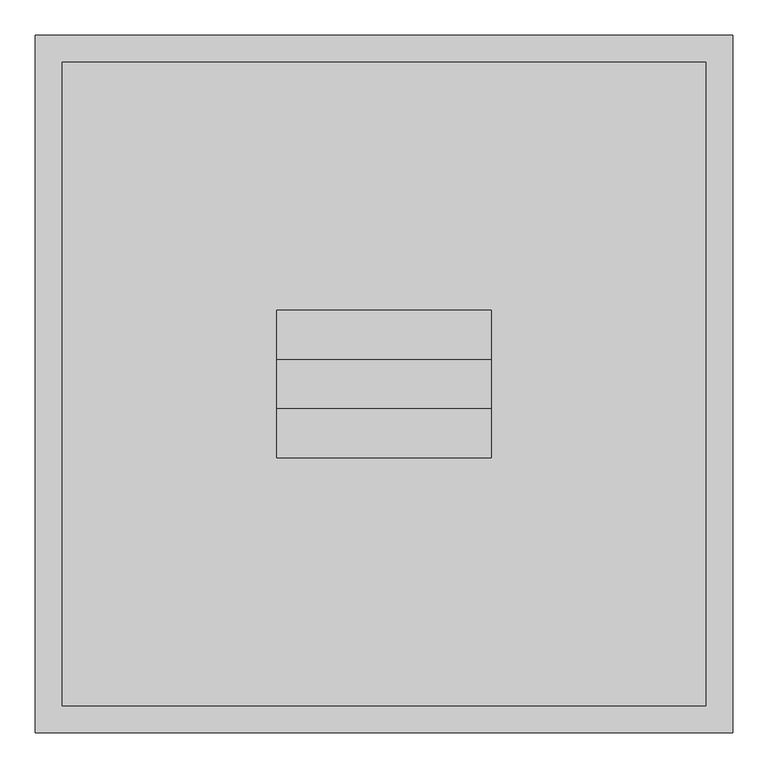
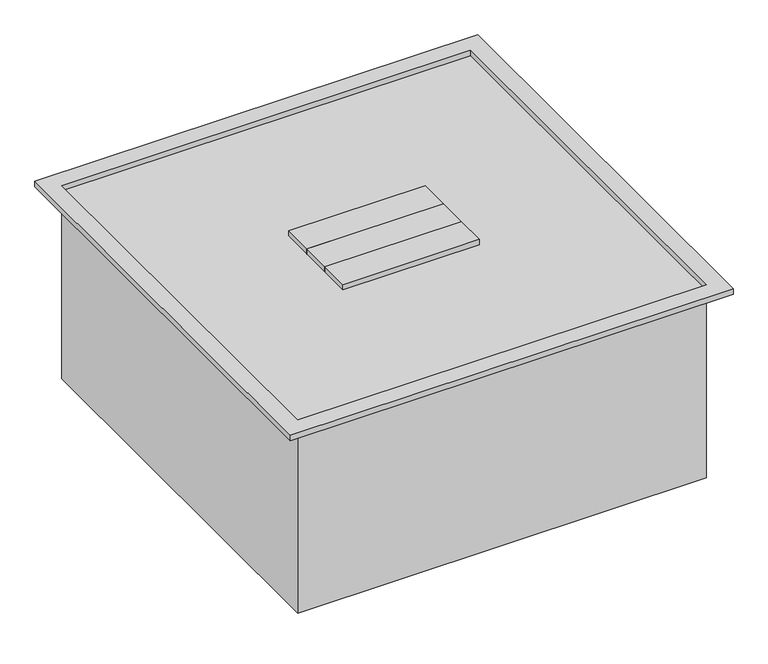
"""IFC4 building model written with IfcOpenShell, lengths in millimetres: proxy geometry."""

from ifc_helpers import new_model, si_unit, frame, origin, origin_with_axes, place, context, project, spatial, polyline, outline, extrude, source, transform, mapped, element, save


def generic_models_16bb9909(model_context):
    return source(origin(), model_context, "Body", "SweptSolid", [
        extrude(outline(polyline([(-152.4, -34.925), (152.4, -34.925), (152.4, -104.775), (-152.4, -104.775), (-152.4, -34.925)])), frame((0.0, 0.0, 444.5), z_axis=(0.0, 0.0, 1.0), x_axis=(1.0, 0.0, 0.0)), (0.0, 0.0, 1.0), 12.7),
        extrude(outline(polyline([(-152.4, 34.925), (-152.4, 104.775), (152.4, 104.775), (152.4, 34.925), (-152.4, 34.925)])), frame((0.0, 0.0, 444.5), z_axis=(0.0, 0.0, 1.0), x_axis=(1.0, 0.0, 0.0)), (0.0, 0.0, 1.0), 12.7),
        extrude(outline(polyline([(-152.4, 34.925), (152.4, 34.925), (152.4, -34.925), (-152.4, -34.925), (-152.4, 34.925)])), frame((0.0, 0.0, 444.5), z_axis=(0.0, 0.0, 1.0), x_axis=(1.0, 0.0, 0.0)), (0.0, 0.0, 1.0), 12.7),
        extrude(outline(polyline([(495.3, 495.3), (495.3, -495.3), (-495.3, -495.3), (-495.3, 495.3), (495.3, 495.3)]), holes=[polyline([(457.2, 457.2), (-457.2, 457.2), (-457.2, -457.2), (457.2, -457.2), (457.2, 457.2)])]), frame((0.0, 0.0, 444.5), z_axis=(0.0, 0.0, 1.0), x_axis=(1.0, 0.0, 0.0)), (0.0, 0.0, 1.0), 12.7),
        extrude(outline(polyline([(457.2, 457.2), (457.2, -457.2), (-457.2, -457.2), (-457.2, 457.2), (457.2, 457.2)])), origin_with_axes(), (0.0, 0.0, 1.0), 444.5),
    ])


if __name__ == "__main__":
    model = new_model("IFC4")
    model_context = context("Model", 3, world=origin())
    ifc_project = project(units=[si_unit("LENGTHUNIT", "METRE", prefix="MILLI")], contexts=[model_context])
    site = spatial("IfcSite", under=ifc_project)
    building = spatial("IfcBuilding", under=site)
    placement = place(None, origin())
    generic_models_shape = generic_models_16bb9909(model_context)
    element("IfcBuildingElementProxy", 1, Name="Generic Models", at=placement, inside=building, context=model_context, shape_type="MappedRepresentation", body=[
        mapped(generic_models_shape, transform((0.0, 0.0, 0.0), x_axis=(1.0, 0.0, 0.0), y_axis=(0.0, 1.0, 0.0), z_axis=(0.0, 0.0, 1.0))),
    ])
    save(model, "model.ifc")
